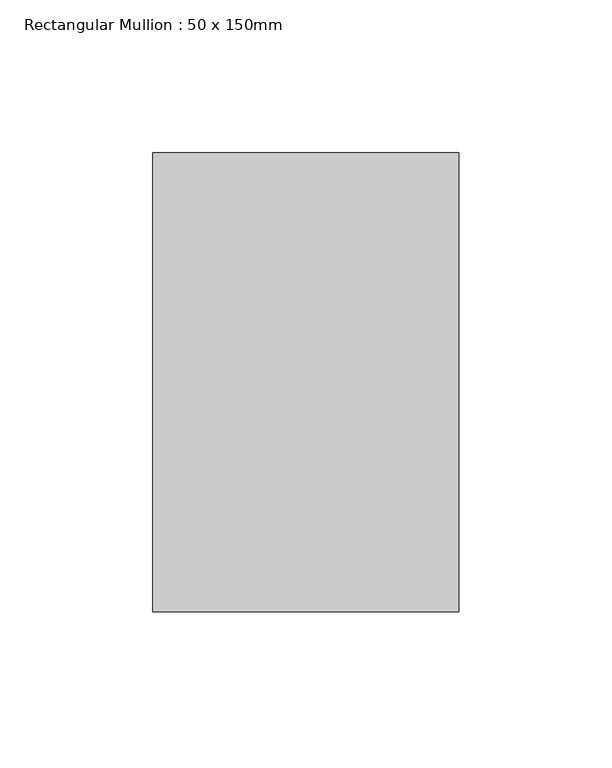
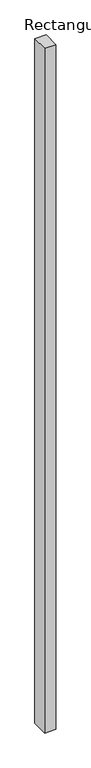
"""IFC4 building model written with IfcOpenShell, lengths in millimetres: member geometry, Rectangular Mullion : 50 x 150mm."""

from ifc_helpers import new_model, si_unit, frame, origin, place, context, project, spatial, polyline, outline, extrude, source, transform, mapped, element, save


def rectangular_mullion_50_x_150mm_ad229f6e(model_context):
    return source(origin(), model_context, "Body", "SweptSolid", [
        extrude(outline(polyline([(0.0, 75.0), (0.0, -75.0), (-100.0, -75.0), (-100.0, 75.0), (0.0, 75.0)])), frame((0.0, 0.0, -6441.6584833), z_axis=(0.0, 0.0, 1.0), x_axis=(1.0, 0.0, 0.0)), (0.0, 0.0, 1.0), 6441.6584833),
    ])


if __name__ == "__main__":
    model = new_model("IFC4")
    model_context = context("Model", 3, world=origin())
    ifc_project = project(units=[si_unit("LENGTHUNIT", "METRE", prefix="MILLI")], contexts=[model_context])
    site = spatial("IfcSite", under=ifc_project)
    building = spatial("IfcBuilding", under=site)
    placement = place(None, origin())
    rectangular_mullion_50_x_150mm_shape = rectangular_mullion_50_x_150mm_ad229f6e(model_context)
    element("IfcMember", 1, ObjectType="Rectangular Mullion : 50 x 150mm", at=placement, inside=building, context=model_context, shape_type="MappedRepresentation", body=[
        mapped(rectangular_mullion_50_x_150mm_shape, transform((0.0, 0.0, 0.0), x_axis=(1.0, 0.0, 0.0), y_axis=(0.0, 1.0, 0.0), z_axis=(0.0, 0.0, 1.0))),
    ])
    save(model, "model.ifc")
